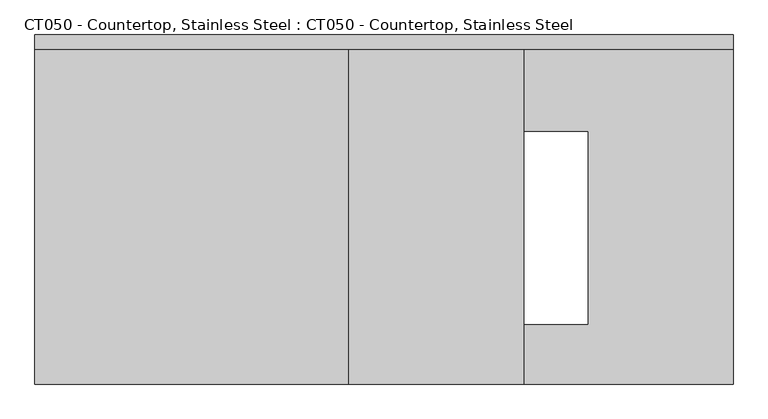
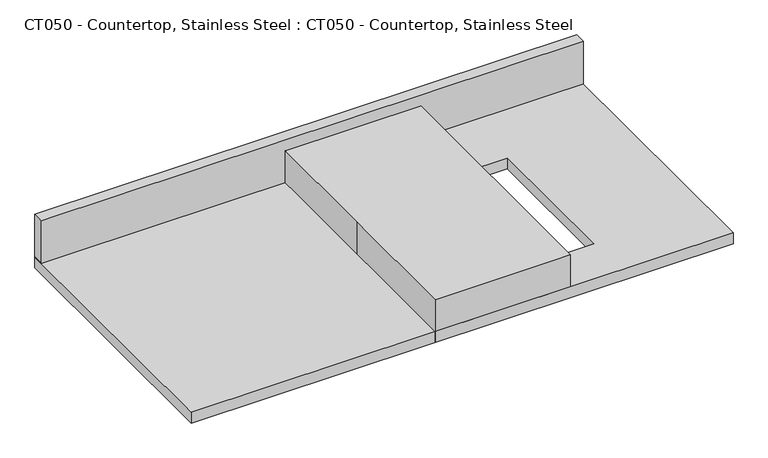
"""IFC4 building model written with IfcOpenShell, lengths in millimetres: proxy geometry, CT050 - Countertop, Stainless Steel : CT050 - Countertop, Stainless Steel."""

from ifc_helpers import new_model, si_unit, frame, origin, origin_with_axes, place, context, project, spatial, polyline, outline, extrude, source, transform, mapped, element, save


def ct050_countertop_stainless_steel_ct050_countertop_stainless_3789e2d6(model_context):
    return source(origin(), model_context, "Body", "SweptSolid", [
        extrude(outline(polyline([(518.3557595, 304.8), (518.3557595, -304.8), (-700.8442405, -304.8), (-700.8442405, 304.8), (518.3557595, 304.8)]), holes=[polyline([(264.3557594, 135.73125), (-142.0442406, 135.73125), (-142.0442406, -200.81875), (264.3557594, -200.81875), (264.3557594, 135.73125)])]), origin_with_axes(), (0.0, 0.0, 1.0), 25.4),
        extrude(outline(polyline([(-700.8442405, 279.4), (-700.8442405, 304.8), (518.3557595, 304.8), (518.3557595, 279.4), (-700.8442405, 279.4)])), frame((0.0, 0.0, 25.4), z_axis=(0.0, 0.0, 1.0), x_axis=(1.0, 0.0, 0.0)), (0.0, 0.0, 1.0), 101.6),
        extrude(outline(polyline([(-152.4, 304.8), (152.4, 304.8), (152.4, -304.8), (-152.4, -304.8), (-152.4, 0.0), (-152.4, 304.8)])), origin_with_axes(), (0.0, 0.0, 1.0), 101.6),
    ])


if __name__ == "__main__":
    model = new_model("IFC4")
    model_context = context("Model", 3, world=origin())
    ifc_project = project(units=[si_unit("LENGTHUNIT", "METRE", prefix="MILLI")], contexts=[model_context])
    site = spatial("IfcSite", under=ifc_project)
    building = spatial("IfcBuilding", under=site)
    placement = place(None, origin())
    ct050_countertop_stainless_steel_ct050_countertop_stainless_shape = ct050_countertop_stainless_steel_ct050_countertop_stainless_3789e2d6(model_context)
    element("IfcBuildingElementProxy", 1, Name="CT050 - Countertop, Stainless Steel : CT050 - Countertop, Stainless Steel", ObjectType="CT050 - Countertop, Stainless Steel : CT050 - Countertop, Stainless Steel", at=placement, inside=building, context=model_context, shape_type="MappedRepresentation", body=[
        mapped(ct050_countertop_stainless_steel_ct050_countertop_stainless_shape, transform((0.0, 0.0, 0.0), x_axis=(1.0, 0.0, 0.0), y_axis=(0.0, 1.0, 0.0), z_axis=(0.0, 0.0, 1.0))),
    ])
    save(model, "model.ifc")
